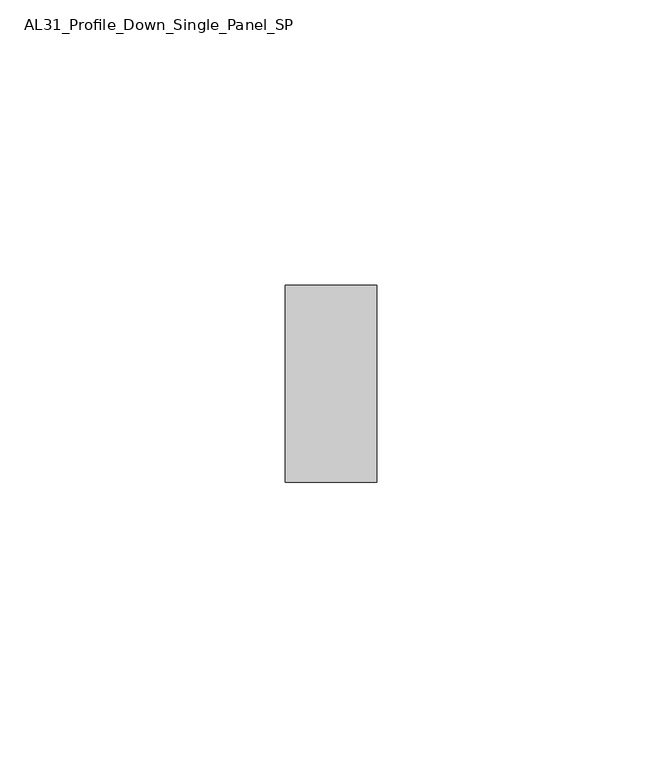
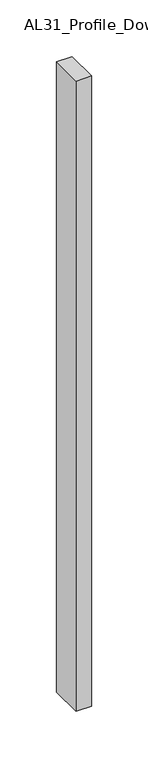
"""IFC4 building model written with IfcOpenShell, lengths in millimetres: member geometry, AL31_Profile_Down_Single_Panel_SP."""

import ifcopenshell
import ifcopenshell.guid

model = None  # the IFC model being written
_history = None  # IfcOwnerHistory: only IFC2X3 demands one
_inside = {}  # id of a spatial element -> (the spatial element, [elements in it])
_under = {}  # id of a project, library or spatial element -> (it, [spatial elements below it])
_declared = {}  # id of a project -> (the project, [libraries it declares])
_typed = {}  # id of a type object -> (the type object, [elements of that type])
_made_of = {}  # id of a material, layer set ... -> (it, [elements and type objects made of it])


def new_model(schema):
    """Start an empty IFC model of exactly this schema.

    Asked for "IFC4X3", IfcOpenShell would pick the latest addendum, in which some entities
    have other attributes; the version numbers below select the first issue.
    IFC2X3 requires an IfcOwnerHistory on every rooted entity: one is made here for all.
    """
    global model, _history
    if schema == "IFC4X3":
        model = ifcopenshell.file(schema_version=(4, 3, 0, 0))
    else:
        model = ifcopenshell.file(schema=schema)
    _inside.clear()
    _under.clear()
    _declared.clear()
    _typed.clear()
    _made_of.clear()
    _history = None
    if model.schema == "IFC2X3":
        org = make("IfcOrganization", Name="unknown")
        user = make(
            "IfcPersonAndOrganization",
            ThePerson=make("IfcPerson", FamilyName="unknown"),
            TheOrganization=org,
        )
        app = make(
            "IfcApplication",
            ApplicationDeveloper=org,
            Version="unknown",
            ApplicationFullName="unknown",
            ApplicationIdentifier="unknown",
        )
        _history = make(
            "IfcOwnerHistory",
            OwningUser=user,
            OwningApplication=app,
            ChangeAction="ADDED",
            CreationDate=0,
        )
    return model


def make(cls, **values):
    """One entity of the class cls with the attributes given. An attribute that is None is left unset."""
    return model.create_entity(
        cls, **{name: value for name, value in values.items() if value is not None}
    )


def rooted(cls, **values):
    """An entity with a GlobalId (a new one), such as an element, a storey or a relation."""
    return make(cls, GlobalId=ifcopenshell.guid.new(), OwnerHistory=_history, **values)


def si_unit(unit_type, name, prefix=None):
    """IfcSIUnit, for example si_unit("LENGTHUNIT", "METRE", prefix="MILLI")."""
    return make("IfcSIUnit", UnitType=unit_type, Prefix=prefix, Name=name)


def assignment(units):
    """IfcUnitAssignment: the units of a project."""
    return None if units is None else make("IfcUnitAssignment", Units=units)


def point(xyz):
    """IfcCartesianPoint."""
    return None if xyz is None else make("IfcCartesianPoint", Coordinates=xyz)


def direction(xyz):
    """IfcDirection."""
    return None if xyz is None else make("IfcDirection", DirectionRatios=xyz)


def frame(location, z_axis=None, x_axis=None):
    """IfcAxis2Placement3D, a coordinate frame: its origin and axes. An axis left out is left unset."""
    return make(
        "IfcAxis2Placement3D",
        Location=point(location),
        Axis=direction(z_axis),
        RefDirection=direction(x_axis),
    )


def origin():
    """The frame at (0, 0, 0) with its axes left unset."""
    return frame((0.0, 0.0, 0.0))


def place(relative_to, where):
    """IfcLocalPlacement: puts the frame where relative to a parent placement (None: the world)."""
    return make(
        "IfcLocalPlacement", PlacementRelTo=relative_to, RelativePlacement=where
    )


def context(
    kind, dimensions, precision=None, world=None, true_north=None, identifier=None
):
    """IfcGeometricRepresentationContext, for example the 3D "Model" context."""
    return make(
        "IfcGeometricRepresentationContext",
        ContextIdentifier=identifier,
        ContextType=kind,
        CoordinateSpaceDimension=dimensions,
        Precision=precision,
        WorldCoordinateSystem=world,
        TrueNorth=true_north,
    )


def project(units=None, contexts=None):
    """IfcProject with its units and contexts."""
    return rooted(
        "IfcProject",
        Name="project",
        RepresentationContexts=contexts,
        UnitsInContext=assignment(units),
    )


def spatial(cls, under=None, at=None, **own):
    """A site, building, storey or space (cls), placed at a placement, below another one or the project."""
    s = rooted(cls, ObjectPlacement=at, **own)
    if under is not None:
        _under.setdefault(under.id(), (under, []))[1].append(s)
    return s


def polyline(points):
    """IfcPolyline through the points."""
    return make("IfcPolyline", Points=[point(p) for p in points])


def outline(outer, holes=None, kind="AREA"):
    """IfcArbitraryClosedProfileDef: a profile drawn as a closed curve; with holes, ...WithVoids."""
    if holes is None:
        return make("IfcArbitraryClosedProfileDef", ProfileType=kind, OuterCurve=outer)
    return make(
        "IfcArbitraryProfileDefWithVoids",
        ProfileType=kind,
        OuterCurve=outer,
        InnerCurves=holes,
    )


def extrude(swept, where, along, depth):
    """IfcExtrudedAreaSolid: the profile swept, set in the frame where, extruded along a direction by depth."""
    return make(
        "IfcExtrudedAreaSolid",
        SweptArea=swept,
        Position=where,
        ExtrudedDirection=direction(along),
        Depth=depth,
    )


def shape(context_of_items, identifier, shape_type, items):
    """IfcShapeRepresentation: the items that make up one representation, for example the "Body"."""
    return make(
        "IfcShapeRepresentation",
        ContextOfItems=context_of_items,
        RepresentationIdentifier=identifier,
        RepresentationType=shape_type,
        Items=items,
    )


def source(mapping_origin, context_of_items, identifier, shape_type, items):
    """IfcRepresentationMap: a shape defined once, which mapped items show again and again."""
    return make(
        "IfcRepresentationMap",
        MappingOrigin=mapping_origin,
        MappedRepresentation=shape(context_of_items, identifier, shape_type, items),
    )


def transform(
    local_origin,
    x_axis=None,
    y_axis=None,
    z_axis=None,
    scale=None,
    scale2=None,
    scale3=None,
    uniform=True,
):
    """IfcCartesianTransformationOperator3D, or its non-uniform kind. x_axis, y_axis, z_axis: its Axis1, 2, 3."""
    if uniform:
        return make(
            "IfcCartesianTransformationOperator3D",
            Axis1=direction(x_axis),
            Axis2=direction(y_axis),
            LocalOrigin=point(local_origin),
            Scale=scale,
            Axis3=direction(z_axis),
        )
    return make(
        "IfcCartesianTransformationOperator3DnonUniform",
        Axis1=direction(x_axis),
        Axis2=direction(y_axis),
        LocalOrigin=point(local_origin),
        Scale=scale,
        Axis3=direction(z_axis),
        Scale2=scale2,
        Scale3=scale3,
    )


def mapped(mapping_source, mapping_target):
    """IfcMappedItem: shows the shape of a source again, moved by a transform."""
    return make(
        "IfcMappedItem", MappingSource=mapping_source, MappingTarget=mapping_target
    )


def made_of(thing, what):
    """Note that an element or type object is made of a material, layer set ...; save() writes the relation."""
    if what is not None:
        _made_of.setdefault(what.id(), (what, []))[1].append(thing)
    return thing


def element(
    cls,
    number,
    at=None,
    inside=None,
    cuts=None,
    type_object=None,
    material=None,
    context=None,
    identifier="Body",
    shape_type=None,
    held_by="IfcProductDefinitionShape",
    body=None,
    shapes=None,
    **own,
):
    """One element of the class cls, such as IfcWall. Its Tag is "e" and its number.

    at: its placement. inside: the storey or other place that contains it. cuts: it is an
    opening in that element (IfcRelVoidsElement). A single representation is given by context,
    identifier, shape_type and body (its items); several are given by shapes. held_by: the class
    of the entity that holds the representations. save() writes the other relations.
    """
    e = rooted(cls, Tag="e%d" % number, ObjectPlacement=at, **own)
    if body is not None:
        shapes = [shape(context, identifier, shape_type, body)]
    if shapes is not None:
        e.Representation = make(held_by, Representations=shapes)
    if inside is not None:
        _inside.setdefault(inside.id(), (inside, []))[1].append(e)
    if cuts is not None:
        rooted(
            "IfcRelVoidsElement", RelatingBuildingElement=cuts, RelatedOpeningElement=e
        )
    if type_object is not None:
        _typed.setdefault(type_object.id(), (type_object, []))[1].append(e)
    return made_of(e, material)


def aggregate(whole, parts):
    """IfcRelAggregates: a whole, such as a stair, and the parts it consists of."""
    return rooted("IfcRelAggregates", RelatingObject=whole, RelatedObjects=parts)


def save(model, path):
    """Write the relations noted so far, then the file.

    IfcRelAggregates (storeys below a building ...), IfcRelContainedInSpatialStructure (elements
    in a storey), IfcRelDefinesByType, IfcRelAssociatesMaterial and IfcRelDeclares: one each for
    every whole, place, type object, material and project.
    """
    for whole, parts in _under.values():
        aggregate(whole, parts)
    for where, things in _inside.values():
        rooted(
            "IfcRelContainedInSpatialStructure",
            RelatedElements=things,
            RelatingStructure=where,
        )
    for kind, things in _typed.values():
        rooted("IfcRelDefinesByType", RelatedObjects=things, RelatingType=kind)
    for what, things in _made_of.values():
        rooted("IfcRelAssociatesMaterial", RelatedObjects=things, RelatingMaterial=what)
    for by, libraries in _declared.values():
        rooted("IfcRelDeclares", RelatingContext=by, RelatedDefinitions=libraries)
    model.write(path)


def al31_profile_down_single_panel_sp_273e72a0(model_context):
    return source(origin(), model_context, "Body", "SweptSolid", [
        extrude(outline(polyline([(0.0, -17.25), (-16.0, -17.25), (-16.0, 17.25), (0.0, 17.25), (0.0, -17.25)])), frame((0.0, 0.0, -680.3602632), z_axis=(0.0, 0.0, 1.0), x_axis=(1.0, 0.0, 0.0)), (0.0, 0.0, 1.0), 680.3602632),
    ])


if __name__ == "__main__":
    model = new_model("IFC4")
    model_context = context("Model", 3, world=origin())
    ifc_project = project(units=[si_unit("LENGTHUNIT", "METRE", prefix="MILLI")], contexts=[model_context])
    site = spatial("IfcSite", under=ifc_project)
    building = spatial("IfcBuilding", under=site)
    placement = place(None, origin())
    al31_profile_down_single_panel_sp_shape = al31_profile_down_single_panel_sp_273e72a0(model_context)
    element("IfcMember", 1, ObjectType="AL31_Profile_Down_Single_Panel_SP", at=placement, inside=building, context=model_context, shape_type="MappedRepresentation", body=[
        mapped(al31_profile_down_single_panel_sp_shape, transform((0.0, 0.0, 0.0), x_axis=(1.0, 0.0, 0.0), y_axis=(0.0, 1.0, 0.0), z_axis=(0.0, 0.0, 1.0))),
    ])
    save(model, "model.ifc")
